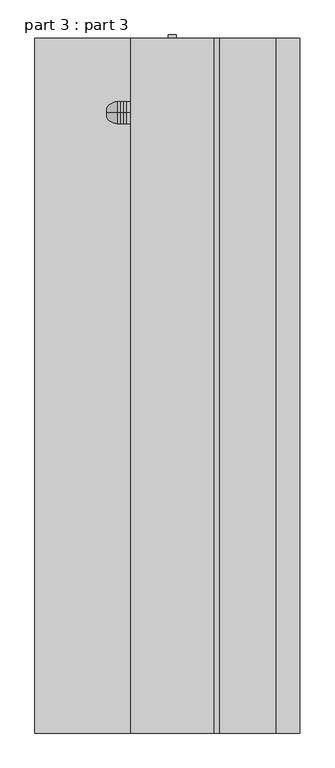
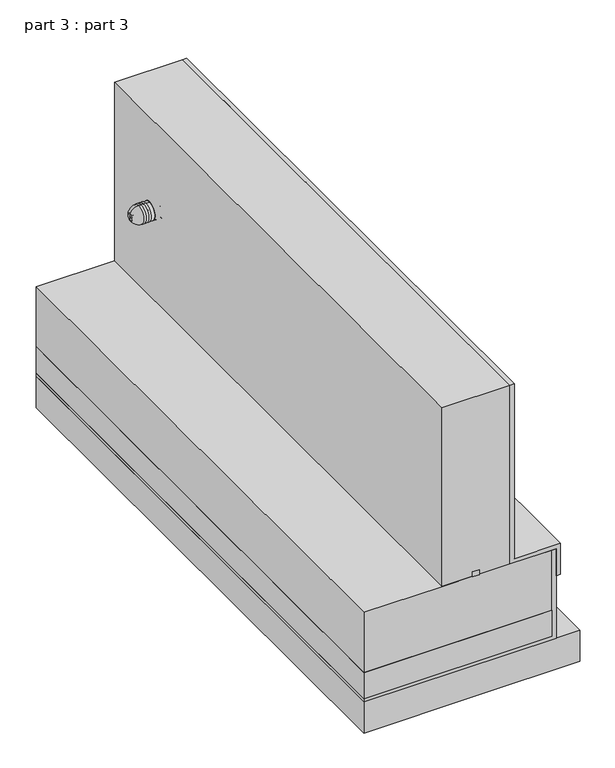
"""IFC4 building model written with IfcOpenShell, lengths in millimetres: proxy geometry, part 3 : part 3."""

from ifc_helpers import new_model, si_unit, point, frame, origin, place, context, project, spatial, polyline, circle_curve, ellipse_curve, trimmed, outline, extrude, source, transform, mapped, element, save
from ifc_brep_helpers import plane_surface, cylinder_surface, revolved_surface, advanced_brep


def part_3_part_3_1a046b5b(model_context):
    return source(origin(), model_context, "Body", "SolidModel", [
        advanced_brep(
        [(-408.9456276, 1400.0, 2492.4326799), (-408.9456276, 1400.0, 2707.5673201), (-447.179856, 1400.0, 2707.5673201), (-447.179856, 1400.0, 2492.4326799), (-408.9456276, 1400.0, 2593.5903117), (-408.9456276, 1400.0, 2606.4096883), (-638.9456276, 1400.0, 2593.5903117), (-638.9456276, 1400.0, 2606.4096883), (-638.9456276, 1400.0, 2556.0229916), (-638.9456276, 1400.0, 2643.9770084), (-537.179856, 1400.0, 2492.4326799), (-537.179856, 1400.0, 2707.5673201), (-507.179856, 1400.0, 2492.4326799), (-507.179856, 1400.0, 2707.5673201), (-477.179856, 1400.0, 2492.4326799), (-477.179856, 1400.0, 2707.5673201)],
        [
            (0, 1, circle_curve(frame((-408.9456276, 1400.0, 2600.0), z_axis=(-1.0, 0.0, 0.0), x_axis=(0.0, 0.0, 1.0)), 107.5673201)),
            (1, 2),
            (2, 3, circle_curve(frame((-447.179856, 1400.0, 2600.0), z_axis=(1.0, 0.0, 0.0), x_axis=(0.0, 0.0, 1.0)), 107.5673201)),
            (3, 0),
            (1, 0, circle_curve(frame((-408.9456276, 1400.0, 2600.0), z_axis=(-1.0, 0.0, 0.0), x_axis=(0.0, 0.0, 1.0)), 107.5673201)),
            (3, 2, circle_curve(frame((-447.179856, 1400.0, 2600.0), z_axis=(1.0, 0.0, 0.0), x_axis=(0.0, 0.0, 1.0)), 107.5673201)),
            (4, 5, circle_curve(frame((-408.9456276, 1400.0, 2600.0), z_axis=(-1.0, 0.0, 0.0), x_axis=(0.0, 0.0, 1.0)), 6.4096883)),
            (5, 1),
            (0, 4),
            (5, 4, circle_curve(frame((-408.9456276, 1400.0, 2600.0), z_axis=(-1.0, 0.0, 0.0), x_axis=(0.0, 0.0, 1.0)), 6.4096883)),
            (6, 7, circle_curve(frame((-638.9456276, 1400.0, 2600.0), z_axis=(-1.0, 0.0, 0.0), x_axis=(0.0, 0.0, 1.0)), 6.4096883)),
            (7, 5),
            (4, 6),
            (7, 6, circle_curve(frame((-638.9456276, 1400.0, 2600.0), z_axis=(-1.0, 0.0, 0.0), x_axis=(0.0, 0.0, 1.0)), 6.4096883)),
            (8, 9, circle_curve(frame((-638.9456276, 1400.0, 2600.0), z_axis=(-1.0, 0.0, 0.0), x_axis=(0.0, 0.0, 1.0)), 43.9770084)),
            (9, 7),
            (6, 8),
            (9, 8, circle_curve(frame((-638.9456276, 1400.0, 2600.0), z_axis=(-1.0, 0.0, 0.0), x_axis=(0.0, 0.0, 1.0)), 43.9770084)),
            (10, 11, circle_curve(frame((-537.179856, 1400.0, 2600.0), z_axis=(-1.0, 0.0, 0.0), x_axis=(0.0, 0.0, 1.0)), 107.5673201)),
            (11, 9, circle_curve(frame((-535.8773838, 1400.0, 2592.2581339), z_axis=(0.0, -1.0, 0.0), x_axis=(0.0, 0.0, -1.0)), 115.316542)),
            (8, 10, circle_curve(frame((-535.8773838, 1400.0, 2607.7418661), z_axis=(0.0, -1.0, 0.0), x_axis=(0.0, 0.0, 1.0)), 115.316542)),
            (11, 10, circle_curve(frame((-537.179856, 1400.0, 2600.0), z_axis=(-1.0, 0.0, 0.0), x_axis=(0.0, 0.0, 1.0)), 107.5673201)),
            (12, 13, circle_curve(frame((-507.179856, 1400.0, 2600.0), z_axis=(-1.0, 0.0, 0.0), x_axis=(0.0, 0.0, 1.0)), 107.5673201)),
            (13, 11, circle_curve(frame((-522.179856, 1400.0, 2665.6744089), z_axis=(0.0, -1.0, 0.0), x_axis=(0.0, 0.0, -1.0)), 44.4973708)),
            (10, 12, circle_curve(frame((-522.179856, 1400.0, 2534.3255911), z_axis=(0.0, -1.0, 0.0), x_axis=(0.0, 0.0, 1.0)), 44.4973708)),
            (13, 12, circle_curve(frame((-507.179856, 1400.0, 2600.0), z_axis=(-1.0, 0.0, 0.0), x_axis=(0.0, 0.0, 1.0)), 107.5673201)),
            (14, 15, circle_curve(frame((-477.179856, 1400.0, 2600.0), z_axis=(-1.0, 0.0, 0.0), x_axis=(0.0, 0.0, 1.0)), 107.5673201)),
            (15, 13, circle_curve(frame((-492.179856, 1400.0, 2665.6744089), z_axis=(0.0, -1.0, 0.0), x_axis=(0.0, 0.0, -1.0)), 44.4973708)),
            (12, 14, circle_curve(frame((-492.179856, 1400.0, 2534.3255911), z_axis=(0.0, -1.0, 0.0), x_axis=(0.0, 0.0, 1.0)), 44.4973708)),
            (15, 14, circle_curve(frame((-477.179856, 1400.0, 2600.0), z_axis=(-1.0, 0.0, 0.0), x_axis=(0.0, 0.0, 1.0)), 107.5673201)),
            (2, 15, circle_curve(frame((-462.179856, 1400.0, 2665.6744089), z_axis=(0.0, -1.0, 0.0), x_axis=(0.0, 0.0, -1.0)), 44.4973708)),
            (14, 3, circle_curve(frame((-462.179856, 1400.0, 2534.3255911), z_axis=(0.0, -1.0, 0.0), x_axis=(0.0, 0.0, 1.0)), 44.4973708)),
        ],
        [
            cylinder_surface(frame((-638.9456276, 1400.0, 2600.0), z_axis=(1.0, 0.0, 0.0), x_axis=(0.0, 0.0, 1.0)), 107.5673201),
            plane_surface(frame((-408.9456276, 1400.0, 2600.0), z_axis=(1.0, 0.0, 0.0), x_axis=(0.0, 0.0, 1.0))),
            revolved_surface(polyline([(-408.9456276, 1400.0, 2606.4096883), (-638.9456276, 1400.0, 2606.4096883)]), (-638.9456276, 1400.0, 2600.0), (1.0, 0.0, 0.0)),
            plane_surface(frame((-638.9456276, 1400.0, 2600.0), z_axis=(-1.0, 0.0, 0.0), x_axis=(0.0, 0.0, 1.0))),
            revolved_surface(trimmed(ellipse_curve(frame((-535.8773838, 1400.0, 2592.2581339), z_axis=(0.0, 1.0, 0.0), x_axis=(0.0, 0.0, -1.0)), 115.316542, 115.316542), [point((-638.9456276, 1400.0, 2643.9770084))], [point((-537.179856, 1400.0, 2707.5673201))], True, "CARTESIAN"), (-638.9456276, 1400.0, 2600.0), (1.0, 0.0, 0.0)),
            revolved_surface(trimmed(ellipse_curve(frame((-522.179856, 1400.0, 2665.6744089), z_axis=(0.0, 1.0, 0.0), x_axis=(0.0, 0.0, -1.0)), 44.4973708, 44.4973708), [point((-537.179856, 1400.0, 2707.5673201))], [point((-507.179856, 1400.0, 2707.5673201))], True, "CARTESIAN"), (-638.9456276, 1400.0, 2600.0), (1.0, 0.0, 0.0)),
            revolved_surface(trimmed(ellipse_curve(frame((-492.179856, 1400.0, 2665.6744089), z_axis=(0.0, 1.0, 0.0), x_axis=(0.0, 0.0, -1.0)), 44.4973708, 44.4973708), [point((-507.179856, 1400.0, 2707.5673201))], [point((-477.179856, 1400.0, 2707.5673201))], True, "CARTESIAN"), (-638.9456276, 1400.0, 2600.0), (1.0, 0.0, 0.0)),
            revolved_surface(trimmed(ellipse_curve(frame((-462.179856, 1400.0, 2665.6744089), z_axis=(0.0, 1.0, 0.0), x_axis=(0.0, 0.0, -1.0)), 44.4973708, 44.4973708), [point((-477.179856, 1400.0, 2707.5673201))], [point((-447.179856, 1400.0, 2707.5673201))], True, "CARTESIAN"), (-638.9456276, 1400.0, 2600.0), (1.0, 0.0, 0.0)),
        ],
        [
            (0, [[1, 2, 3, 4]]),
            (0, [[5, -4, 6, -2]]),
            (1, [[7, 8, -1, 9]]),
            (1, [[10, -9, -5, -8]]),
            (2, [[11, 12, -7, 13]]),
            (2, [[14, -13, -10, -12]]),
            (3, [[15, 16, -11, 17]]),
            (3, [[18, -17, -14, -16]]),
            (4, [[19, 20, -15, 21]]),
            (4, [[22, -21, -18, -20]]),
            (5, [[23, 24, -19, 25]]),
            (5, [[26, -25, -22, -24]]),
            (6, [[27, 28, -23, 29]]),
            (6, [[30, -29, -26, -28]]),
            (7, [[-3, 31, -27, 32]]),
            (7, [[-6, -32, -30, -31]]),
        ],
    ),
        advanced_brep(
        [(-372.179856, 1400.0, 2490.0), (-372.179856, 1400.0, 2710.0), (-392.179856, 1400.0, 2710.0), (-392.179856, 1400.0, 2490.0), (-352.179856, 1400.0, 2490.0), (-352.179856, 1400.0, 2710.0), (-332.179856, 1400.0, 2490.0), (-332.179856, 1400.0, 2710.0), (-312.179856, 1400.0, 2490.0), (-312.179856, 1400.0, 2710.0), (-312.179856, 1400.0, 2500.0), (-312.179856, 1400.0, 2700.0), (-288.8843297, 1400.0, 2492.2404893), (-288.8843297, 1400.0, 2707.7595107), (-267.179856, 1400.0, 2595.0), (-267.179856, 1400.0, 2605.0), (-267.179856, 1400.0, 2735.0), (-267.179856, 1400.0, 2465.0), (-407.179856, 1400.0, 2595.0), (-407.179856, 1400.0, 2605.0), (-407.179856, 1400.0, 2490.0), (-407.179856, 1400.0, 2710.0), (-281.3219917, 1400.0, 2479.1421356), (-281.3219917, 1400.0, 2720.8578644)],
        [
            (0, 1, circle_curve(frame((-372.179856, 1400.0, 2600.0), z_axis=(-1.0, 0.0, 0.0), x_axis=(0.0, 0.0, 1.0)), 110.0)),
            (1, 2, circle_curve(frame((-382.179856, 1400.0, 2701.2145309), z_axis=(0.0, -1.0, 0.0), x_axis=(0.0, 0.0, -1.0)), 13.3110656)),
            (2, 3, circle_curve(frame((-392.179856, 1400.0, 2600.0), z_axis=(1.0, 0.0, 0.0), x_axis=(0.0, 0.0, 1.0)), 110.0)),
            (3, 0, circle_curve(frame((-382.179856, 1400.0, 2498.7854691), z_axis=(0.0, -1.0, 0.0), x_axis=(0.0, 0.0, 1.0)), 13.3110656)),
            (1, 0, circle_curve(frame((-372.179856, 1400.0, 2600.0), z_axis=(-1.0, 0.0, 0.0), x_axis=(0.0, 0.0, 1.0)), 110.0)),
            (3, 2, circle_curve(frame((-392.179856, 1400.0, 2600.0), z_axis=(1.0, 0.0, 0.0), x_axis=(0.0, 0.0, 1.0)), 110.0)),
            (4, 5, circle_curve(frame((-352.179856, 1400.0, 2600.0), z_axis=(-1.0, 0.0, 0.0), x_axis=(0.0, 0.0, 1.0)), 110.0)),
            (5, 1, circle_curve(frame((-362.179856, 1400.0, 2701.2145309), z_axis=(0.0, -1.0, 0.0), x_axis=(0.0, 0.0, -1.0)), 13.3110656)),
            (0, 4, circle_curve(frame((-362.179856, 1400.0, 2498.7854691), z_axis=(0.0, -1.0, 0.0), x_axis=(0.0, 0.0, 1.0)), 13.3110656)),
            (5, 4, circle_curve(frame((-352.179856, 1400.0, 2600.0), z_axis=(-1.0, 0.0, 0.0), x_axis=(0.0, 0.0, 1.0)), 110.0)),
            (6, 7, circle_curve(frame((-332.179856, 1400.0, 2600.0), z_axis=(-1.0, 0.0, 0.0), x_axis=(0.0, 0.0, 1.0)), 110.0)),
            (7, 5, circle_curve(frame((-342.179856, 1400.0, 2701.2145309), z_axis=(0.0, -1.0, 0.0), x_axis=(0.0, 0.0, -1.0)), 13.3110656)),
            (4, 6, circle_curve(frame((-342.179856, 1400.0, 2498.7854691), z_axis=(0.0, -1.0, 0.0), x_axis=(0.0, 0.0, 1.0)), 13.3110656)),
            (7, 6, circle_curve(frame((-332.179856, 1400.0, 2600.0), z_axis=(-1.0, 0.0, 0.0), x_axis=(0.0, 0.0, 1.0)), 110.0)),
            (8, 9, circle_curve(frame((-312.179856, 1400.0, 2600.0), z_axis=(-1.0, 0.0, 0.0), x_axis=(0.0, 0.0, 1.0)), 110.0)),
            (9, 7, circle_curve(frame((-322.179856, 1400.0, 2701.2145309), z_axis=(0.0, -1.0, 0.0), x_axis=(0.0, 0.0, -1.0)), 13.3110656)),
            (6, 8, circle_curve(frame((-322.179856, 1400.0, 2498.7854691), z_axis=(0.0, -1.0, 0.0), x_axis=(0.0, 0.0, 1.0)), 13.3110656)),
            (9, 8, circle_curve(frame((-312.179856, 1400.0, 2600.0), z_axis=(-1.0, 0.0, 0.0), x_axis=(0.0, 0.0, 1.0)), 110.0)),
            (10, 11, circle_curve(frame((-312.179856, 1400.0, 2600.0), z_axis=(-1.0, 0.0, 0.0), x_axis=(0.0, 0.0, 1.0)), 100.0)),
            (11, 9),
            (8, 10),
            (11, 10, circle_curve(frame((-312.179856, 1400.0, 2600.0), z_axis=(-1.0, 0.0, 0.0), x_axis=(0.0, 0.0, 1.0)), 100.0)),
            (12, 13, circle_curve(frame((-288.8843297, 1400.0, 2600.0), z_axis=(-1.0, 0.0, 0.0), x_axis=(0.0, 0.0, 1.0)), 107.7595107)),
            (13, 11, circle_curve(frame((-267.179856, 1400.0, 2603.75), z_axis=(0.0, -1.0, 0.0), x_axis=(0.0, 0.0, -1.0)), 106.25)),
            (10, 12, circle_curve(frame((-267.179856, 1400.0, 2596.25), z_axis=(0.0, -1.0, 0.0), x_axis=(0.0, 0.0, 1.0)), 106.25)),
            (13, 12, circle_curve(frame((-288.8843297, 1400.0, 2600.0), z_axis=(-1.0, 0.0, 0.0), x_axis=(0.0, 0.0, 1.0)), 107.7595107)),
            (14, 15, circle_curve(frame((-267.179856, 1400.0, 2600.0), z_axis=(-1.0, 0.0, 0.0), x_axis=(0.0, 0.0, 1.0)), 5.0)),
            (15, 16),
            (16, 17, circle_curve(frame((-267.179856, 1400.0, 2600.0), z_axis=(1.0, 0.0, 0.0), x_axis=(0.0, 0.0, 1.0)), 135.0)),
            (17, 14),
            (15, 14, circle_curve(frame((-267.179856, 1400.0, 2600.0), z_axis=(-1.0, 0.0, 0.0), x_axis=(0.0, 0.0, 1.0)), 5.0)),
            (17, 16, circle_curve(frame((-267.179856, 1400.0, 2600.0), z_axis=(1.0, 0.0, 0.0), x_axis=(0.0, 0.0, 1.0)), 135.0)),
            (18, 19, circle_curve(frame((-407.179856, 1400.0, 2600.0), z_axis=(-1.0, 0.0, 0.0), x_axis=(0.0, 0.0, 1.0)), 5.0)),
            (19, 15),
            (14, 18),
            (19, 18, circle_curve(frame((-407.179856, 1400.0, 2600.0), z_axis=(-1.0, 0.0, 0.0), x_axis=(0.0, 0.0, 1.0)), 5.0)),
            (20, 21, circle_curve(frame((-407.179856, 1400.0, 2600.0), z_axis=(-1.0, 0.0, 0.0), x_axis=(0.0, 0.0, 1.0)), 110.0)),
            (21, 19),
            (18, 20),
            (21, 20, circle_curve(frame((-407.179856, 1400.0, 2600.0), z_axis=(-1.0, 0.0, 0.0), x_axis=(0.0, 0.0, 1.0)), 110.0)),
            (2, 21),
            (20, 3),
            (22, 23, circle_curve(frame((-281.3219917, 1400.0, 2600.0), z_axis=(-1.0, 0.0, 0.0), x_axis=(0.0, 0.0, 1.0)), 120.8578644)),
            (23, 13),
            (12, 22),
            (23, 22, circle_curve(frame((-281.3219917, 1400.0, 2600.0), z_axis=(-1.0, 0.0, 0.0), x_axis=(0.0, 0.0, 1.0)), 120.8578644)),
            (16, 23, circle_curve(frame((-267.179856, 1400.0, 2720.8578644), z_axis=(0.0, -1.0, 0.0), x_axis=(0.0, 0.0, -1.0)), 14.1421356)),
            (22, 17, circle_curve(frame((-267.179856, 1400.0, 2479.1421356), z_axis=(0.0, -1.0, 0.0), x_axis=(0.0, 0.0, 1.0)), 14.1421356)),
        ],
        [
            revolved_surface(trimmed(ellipse_curve(frame((-382.179856, 1400.0, 2701.2145309), z_axis=(0.0, 1.0, 0.0), x_axis=(0.0, 0.0, -1.0)), 13.3110656, 13.3110656), [point((-392.179856, 1400.0, 2710.0))], [point((-372.179856, 1400.0, 2710.0))], True, "CARTESIAN"), (-407.179856, 1400.0, 2600.0), (1.0, 0.0, 0.0)),
            revolved_surface(trimmed(ellipse_curve(frame((-362.179856, 1400.0, 2701.2145309), z_axis=(0.0, 1.0, 0.0), x_axis=(0.0, 0.0, -1.0)), 13.3110656, 13.3110656), [point((-372.179856, 1400.0, 2710.0))], [point((-352.179856, 1400.0, 2710.0))], True, "CARTESIAN"), (-407.179856, 1400.0, 2600.0), (1.0, 0.0, 0.0)),
            revolved_surface(trimmed(ellipse_curve(frame((-342.179856, 1400.0, 2701.2145309), z_axis=(0.0, 1.0, 0.0), x_axis=(0.0, 0.0, -1.0)), 13.3110656, 13.3110656), [point((-352.179856, 1400.0, 2710.0))], [point((-332.179856, 1400.0, 2710.0))], True, "CARTESIAN"), (-407.179856, 1400.0, 2600.0), (1.0, 0.0, 0.0)),
            revolved_surface(trimmed(ellipse_curve(frame((-322.179856, 1400.0, 2701.2145309), z_axis=(0.0, 1.0, 0.0), x_axis=(0.0, 0.0, -1.0)), 13.3110656, 13.3110656), [point((-332.179856, 1400.0, 2710.0))], [point((-312.179856, 1400.0, 2710.0))], True, "CARTESIAN"), (-407.179856, 1400.0, 2600.0), (1.0, 0.0, 0.0)),
            plane_surface(frame((-312.179856, 1400.0, 2600.0), z_axis=(1.0, 0.0, 0.0), x_axis=(0.0, 0.0, 1.0))),
            revolved_surface(trimmed(ellipse_curve(frame((-267.179856, 1400.0, 2603.75), z_axis=(0.0, 1.0, 0.0), x_axis=(0.0, 0.0, -1.0)), 106.25, 106.25), [point((-312.179856, 1400.0, 2700.0))], [point((-288.8843297, 1400.0, 2707.7595107))], True, "CARTESIAN"), (-407.179856, 1400.0, 2600.0), (1.0, 0.0, 0.0)),
            plane_surface(frame((-267.179856, 1400.0, 2600.0), z_axis=(1.0, 0.0, 0.0), x_axis=(0.0, 0.0, 1.0))),
            revolved_surface(polyline([(-267.179856, 1400.0, 2605.0), (-407.179856, 1400.0, 2605.0)]), (-407.179856, 1400.0, 2600.0), (1.0, 0.0, 0.0)),
            plane_surface(frame((-407.179856, 1400.0, 2600.0), z_axis=(-1.0, 0.0, 0.0), x_axis=(0.0, 0.0, 1.0))),
            cylinder_surface(frame((-407.179856, 1400.0, 2600.0), z_axis=(1.0, 0.0, 0.0), x_axis=(0.0, 0.0, 1.0)), 110.0),
            revolved_surface(polyline([(-288.8843297, 1400.0, 2707.7595107), (-281.3219917, 1400.0, 2720.8578644)]), (-407.179856, 1400.0, 2600.0), (1.0, 0.0, 0.0)),
            revolved_surface(trimmed(ellipse_curve(frame((-267.179856, 1400.0, 2720.8578644), z_axis=(0.0, 1.0, 0.0), x_axis=(0.0, 0.0, -1.0)), 14.1421356, 14.1421356), [point((-281.3219917, 1400.0, 2720.8578644))], [point((-267.179856, 1400.0, 2735.0))], True, "CARTESIAN"), (-407.179856, 1400.0, 2600.0), (1.0, 0.0, 0.0)),
        ],
        [
            (0, [[1, 2, 3, 4]]),
            (0, [[5, -4, 6, -2]]),
            (1, [[7, 8, -1, 9]]),
            (1, [[10, -9, -5, -8]]),
            (2, [[11, 12, -7, 13]]),
            (2, [[14, -13, -10, -12]]),
            (3, [[15, 16, -11, 17]]),
            (3, [[18, -17, -14, -16]]),
            (4, [[19, 20, -15, 21]]),
            (4, [[22, -21, -18, -20]]),
            (5, [[23, 24, -19, 25]]),
            (5, [[26, -25, -22, -24]]),
            (6, [[27, 28, 29, 30]]),
            (6, [[31, -30, 32, -28]]),
            (7, [[33, 34, -27, 35]]),
            (7, [[36, -35, -31, -34]]),
            (8, [[37, 38, -33, 39]]),
            (8, [[40, -39, -36, -38]]),
            (9, [[-3, 41, -37, 42]]),
            (9, [[-6, -42, -40, -41]]),
            (10, [[43, 44, -23, 45]]),
            (10, [[46, -45, -26, -44]]),
            (11, [[-29, 47, -43, 48]]),
            (11, [[-32, -48, -46, -47]]),
        ],
    ),
        extrude(outline(polyline([(38.1903085, -4649.2703135), (-41.8096915, -4649.2703135), (-41.8096915, 2158.3837725), (38.1903085, 2158.3837725), (38.1903085, -4649.2703135)])), frame((0.0, 0.0, 1519.2305459), z_axis=(0.0, 0.0, 1.0), x_axis=(1.0, 0.0, 0.0)), (0.0, 0.0, 1.0), 60.0),
        extrude(outline(polyline([(907.179856, -4649.2703135), (-1340.0, -4649.2703135), (-1340.0, 2127.1166993), (907.179856, 2127.1166993), (907.179856, -4649.2703135)])), frame((0.0, 0.0, 432.7947045), z_axis=(0.0, 0.0, 1.0), x_axis=(1.0, 0.0, 0.0)), (0.0, 0.0, 1.0), 331.4119919),
        extrude(outline(polyline([(1523.1690229, 407.179856), (1523.1690229, 957.179856), (1183.1690229, 957.179856), (1183.1690229, 1007.179856), (1573.1690229, 1007.179856), (1573.1690229, 457.179856), (3780.0, 457.179856), (3780.0, 407.179856), (1523.1690229, 407.179856)])), frame((0.0, -4649.2703135, 0.0), z_axis=(0.0, 1.0, 0.0), x_axis=(0.0, 0.0, 1.0)), (0.0, 0.0, 1.0), 6776.3870128),
        extrude(outline(polyline([(1523.1690229, 907.179856), (432.7947045, 907.179856), (432.7947045, -1340.0), (392.7947045, -1340.0), (392.7947045, 957.179856), (1523.1690229, 957.179856), (1523.1690229, 907.179856)])), frame((0.0, -4649.2703135, 0.0), z_axis=(0.0, 1.0, 0.0), x_axis=(0.0, 0.0, 1.0)), (0.0, 0.0, 1.0), 6776.3870128),
        extrude(outline(polyline([(407.179856, -4649.2703135), (-407.179856, -4649.2703135), (-407.179856, 2127.1166993), (407.179856, 2127.1166993), (407.179856, -4649.2703135)])), frame((0.0, 0.0, 1523.9977306), z_axis=(0.0, 0.0, 1.0), x_axis=(1.0, 0.0, 0.0)), (0.0, 0.0, 1.0), 2256.0022694),
        extrude(outline(polyline([(1523.1690229, 907.179856), (1523.1690229, 407.179856), (1523.1690229, -407.179856), (1523.1690229, -1340.0), (764.2066963, -1340.0), (764.2066963, 907.179856), (1523.1690229, 907.179856)])), frame((0.0, -4649.2703135, 0.0), z_axis=(0.0, 1.0, 0.0), x_axis=(0.0, 0.0, 1.0)), (0.0, 0.0, 1.0), 6776.3870128),
        extrude(outline(polyline([(392.7947045, -1340.0), (0.0, -1340.0), (0.0, 0.0), (0.0, 1243.1049556), (392.7947045, 1243.1049556), (392.7947045, 0.0), (392.7947045, -1340.0)])), frame((0.0, -4649.2703135, 0.0), z_axis=(0.0, 1.0, 0.0), x_axis=(0.0, 0.0, 1.0)), (0.0, 0.0, 1.0), 6776.3870128),
    ])


if __name__ == "__main__":
    model = new_model("IFC4")
    model_context = context("Model", 3, world=origin())
    ifc_project = project(units=[si_unit("LENGTHUNIT", "METRE", prefix="MILLI")], contexts=[model_context])
    site = spatial("IfcSite", under=ifc_project)
    building = spatial("IfcBuilding", under=site)
    placement = place(None, origin())
    part_3_part_3_shape = part_3_part_3_1a046b5b(model_context)
    element("IfcBuildingElementProxy", 1, Name="part 3 : part 3", ObjectType="part 3 : part 3", at=placement, inside=building, context=model_context, shape_type="MappedRepresentation", body=[
        mapped(part_3_part_3_shape, transform((0.0, 0.0, 0.0), x_axis=(1.0, 0.0, 0.0), y_axis=(0.0, 1.0, 0.0), z_axis=(0.0, 0.0, 1.0))),
    ])
    save(model, "model.ifc")
